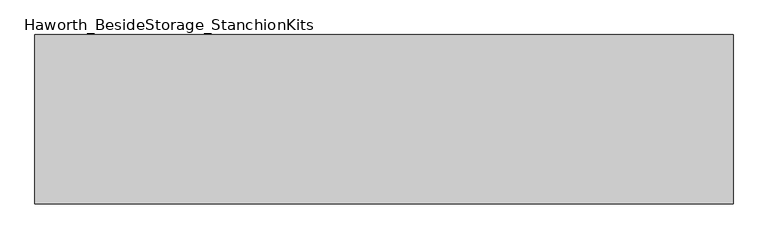
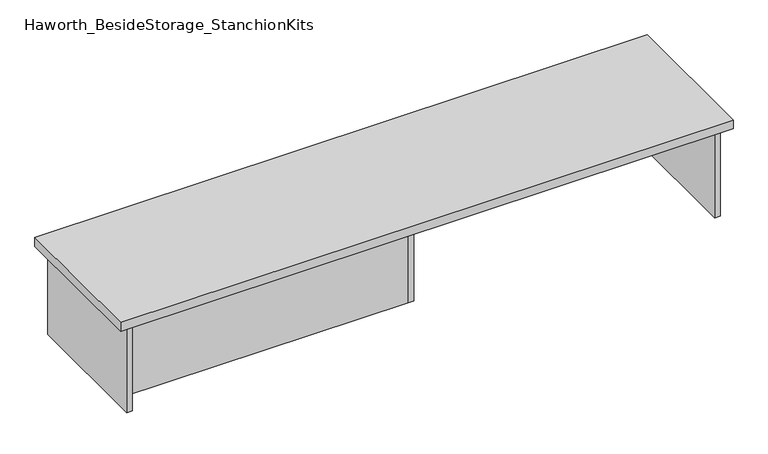
"""IFC4 building model written with IfcOpenShell, lengths in millimetres: furniture geometry, Haworth_BesideStorage_StanchionKits."""

from ifc_helpers import new_model, si_unit, frame, origin, place, context, project, spatial, polyline, outline, extrude, source, transform, mapped, element, save


def haworth_besidestorage_stanchionkits_06156b28(model_context):
    return source(origin(), model_context, "Body", "SweptSolid", [
        extrude(outline(polyline([(1000.125, 0.0), (1000.125, -406.4), (-676.275, -406.4), (-676.275, 0.0), (1000.125, 0.0)])), frame((0.0, 0.0, 685.8), z_axis=(0.0, 0.0, 1.0), x_axis=(1.0, 0.0, 0.0)), (0.0, 0.0, 1.0), 25.4),
        extrude(outline(polyline([(169.8625, -76.2), (958.85, -76.2), (958.85, -92.075), (169.8625, -92.075), (169.8625, -76.2)])), frame((0.0, 0.0, 431.8), z_axis=(0.0, 0.0, 1.0), x_axis=(1.0, 0.0, 0.0)), (0.0, 0.0, 1.0), 254.0),
        extrude(outline(polyline([(153.9875, -314.325), (153.9875, -330.2), (-635.0, -330.2), (-635.0, -314.325), (153.9875, -314.325)])), frame((0.0, 0.0, 431.8), z_axis=(0.0, 0.0, 1.0), x_axis=(1.0, 0.0, 0.0)), (0.0, 0.0, 1.0), 254.0),
        extrude(outline(polyline([(169.8625, -330.2), (153.9875, -330.2), (153.9875, -76.2), (169.8625, -76.2), (169.8625, -330.2)])), frame((0.0, 0.0, 431.8), z_axis=(0.0, 0.0, 1.0), x_axis=(1.0, 0.0, 0.0)), (0.0, 0.0, 1.0), 254.0),
        extrude(outline(polyline([(974.725, -390.525), (958.85, -390.525), (958.85, -15.875), (974.725, -15.875), (974.725, -390.525)])), frame((0.0, 0.0, 431.8), z_axis=(0.0, 0.0, 1.0), x_axis=(1.0, 0.0, 0.0)), (0.0, 0.0, 1.0), 254.0),
        extrude(outline(polyline([(-635.0, -390.525), (-650.875, -390.525), (-650.875, -15.875), (-635.0, -15.875), (-635.0, -390.525)])), frame((0.0, 0.0, 431.8), z_axis=(0.0, 0.0, 1.0), x_axis=(1.0, 0.0, 0.0)), (0.0, 0.0, 1.0), 254.0),
    ])


if __name__ == "__main__":
    model = new_model("IFC4")
    model_context = context("Model", 3, world=origin())
    ifc_project = project(units=[si_unit("LENGTHUNIT", "METRE", prefix="MILLI")], contexts=[model_context])
    site = spatial("IfcSite", under=ifc_project)
    building = spatial("IfcBuilding", under=site)
    placement = place(None, origin())
    haworth_besidestorage_stanchionkits_shape = haworth_besidestorage_stanchionkits_06156b28(model_context)
    element("IfcFurniture", 1, ObjectType="Haworth_BesideStorage_StanchionKits", at=placement, inside=building, context=model_context, shape_type="MappedRepresentation", body=[
        mapped(haworth_besidestorage_stanchionkits_shape, transform((0.0, 0.0, 0.0), x_axis=(1.0, 0.0, 0.0), y_axis=(0.0, 1.0, 0.0), z_axis=(0.0, 0.0, 1.0))),
    ])
    save(model, "model.ifc")
